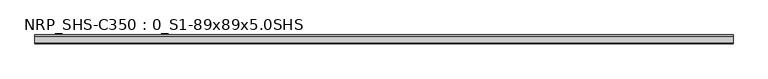
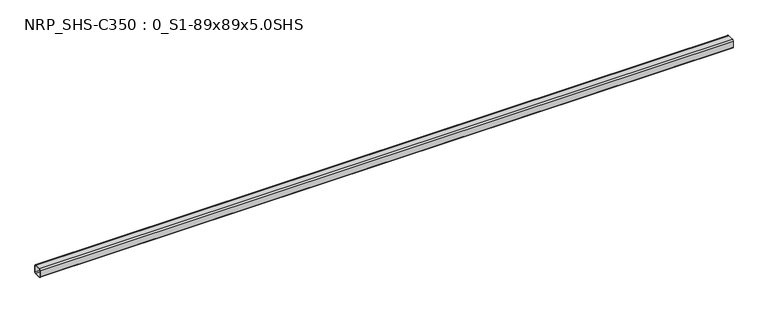
"""IFC4 building model written with IfcOpenShell, lengths in millimetres: beam geometry, NRP_SHS-C350 : 0_S1-89x89x5.0SHS."""

from ifc_helpers import new_model, si_unit, point, frame, frame_2d, origin, place, context, project, spatial, polyline, circle_curve, trimmed, segment, composite_curve, outline, extrude, source, transform, mapped, element, save


def nrp_shs_c350_0_s1_89x89x5_0shs_425c3e1b(model_context):
    return source(origin(), model_context, "Body", "SweptSolid", [
        extrude(outline(composite_curve([segment(polyline([(44.5, 32.0), (44.5, -32.0)]), True, "CONTINUOUS"), segment(trimmed(circle_curve(frame_2d((32.0, -32.0)), 12.5), [point((44.5, -32.0))], [point((32.0, -44.5))], False, "CARTESIAN"), True, "CONTINUOUS"), segment(polyline([(32.0, -44.5), (-32.0, -44.5)]), True, "CONTINUOUS"), segment(trimmed(circle_curve(frame_2d((-32.0, -32.0)), 12.5), [point((-32.0, -44.5))], [point((-44.5, -32.0))], False, "CARTESIAN"), True, "CONTINUOUS"), segment(polyline([(-44.5, -32.0), (-44.5, 32.0)]), True, "CONTINUOUS"), segment(trimmed(circle_curve(frame_2d((-32.0, 32.0)), 12.5), [point((-44.5, 32.0))], [point((-32.0, 44.5))], False, "CARTESIAN"), True, "CONTINUOUS"), segment(polyline([(-32.0, 44.5), (32.0, 44.5)]), True, "CONTINUOUS"), segment(trimmed(circle_curve(frame_2d((32.0, 32.0)), 12.5), [point((32.0, 44.5))], [point((44.5, 32.0))], False, "CARTESIAN"), True, "CONTINUOUS")], self_intersect=False), holes=[composite_curve([segment(trimmed(circle_curve(frame_2d((-32.0, 32.0)), 7.5), [point((-32.0, 39.5))], [point((-39.5, 32.0))], True, "CARTESIAN"), True, "CONTINUOUS"), segment(polyline([(-39.5, 32.0), (-39.5, -32.0)]), True, "CONTINUOUS"), segment(trimmed(circle_curve(frame_2d((-32.0, -32.0)), 7.5), [point((-39.5, -32.0))], [point((-32.0, -39.5))], True, "CARTESIAN"), True, "CONTINUOUS"), segment(polyline([(-32.0, -39.5), (32.0, -39.5)]), True, "CONTINUOUS"), segment(trimmed(circle_curve(frame_2d((32.0, -32.0)), 7.5), [point((32.0, -39.5))], [point((39.5, -32.0))], True, "CARTESIAN"), True, "CONTINUOUS"), segment(polyline([(39.5, -32.0), (39.5, 32.0)]), True, "CONTINUOUS"), segment(trimmed(circle_curve(frame_2d((32.0, 32.0)), 7.5), [point((39.5, 32.0))], [point((32.0, 39.5))], True, "CARTESIAN"), True, "CONTINUOUS"), segment(polyline([(32.0, 39.5), (-32.0, 39.5)]), True, "CONTINUOUS")], self_intersect=False)]), frame((-3472.0, 0.0, 0.0), z_axis=(1.0, 0.0, 0.0), x_axis=(0.0, 1.0, 0.0)), (0.0, 0.0, 1.0), 6962.0),
    ])


if __name__ == "__main__":
    model = new_model("IFC4")
    model_context = context("Model", 3, world=origin())
    ifc_project = project(units=[si_unit("LENGTHUNIT", "METRE", prefix="MILLI")], contexts=[model_context])
    site = spatial("IfcSite", under=ifc_project)
    building = spatial("IfcBuilding", under=site)
    placement = place(None, origin())
    nrp_shs_c350_0_s1_89x89x5_0shs_shape = nrp_shs_c350_0_s1_89x89x5_0shs_425c3e1b(model_context)
    element("IfcBeam", 1, ObjectType="NRP_SHS-C350 : 0_S1-89x89x5.0SHS", at=placement, inside=building, context=model_context, shape_type="MappedRepresentation", body=[
        mapped(nrp_shs_c350_0_s1_89x89x5_0shs_shape, transform((0.0, 0.0, 0.0), x_axis=(1.0, 0.0, 0.0), y_axis=(0.0, 1.0, 0.0), z_axis=(0.0, 0.0, 1.0))),
    ])
    save(model, "model.ifc")
